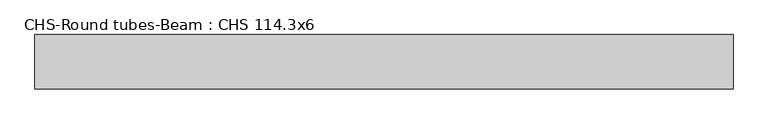
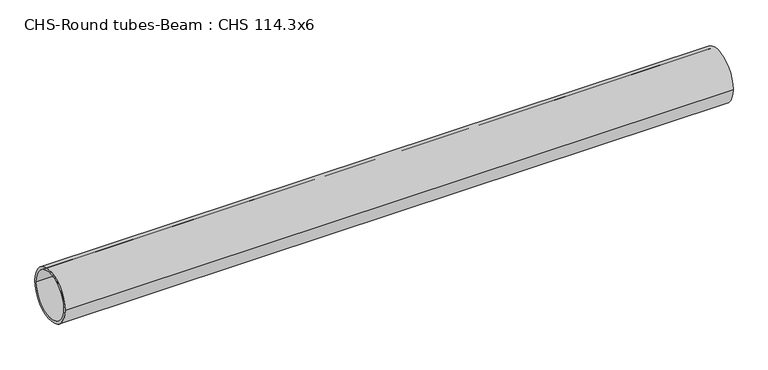
"""IFC4 building model written with IfcOpenShell, lengths in millimetres: beam geometry, CHS-Round tubes-Beam : CHS 114.3x6."""

import ifcopenshell
import ifcopenshell.guid

model = None  # the IFC model being written
_history = None  # IfcOwnerHistory: only IFC2X3 demands one
_inside = {}  # id of a spatial element -> (the spatial element, [elements in it])
_under = {}  # id of a project, library or spatial element -> (it, [spatial elements below it])
_declared = {}  # id of a project -> (the project, [libraries it declares])
_typed = {}  # id of a type object -> (the type object, [elements of that type])
_made_of = {}  # id of a material, layer set ... -> (it, [elements and type objects made of it])


def new_model(schema):
    """Start an empty IFC model of exactly this schema.

    Asked for "IFC4X3", IfcOpenShell would pick the latest addendum, in which some entities
    have other attributes; the version numbers below select the first issue.
    IFC2X3 requires an IfcOwnerHistory on every rooted entity: one is made here for all.
    """
    global model, _history
    if schema == "IFC4X3":
        model = ifcopenshell.file(schema_version=(4, 3, 0, 0))
    else:
        model = ifcopenshell.file(schema=schema)
    _inside.clear()
    _under.clear()
    _declared.clear()
    _typed.clear()
    _made_of.clear()
    _history = None
    if model.schema == "IFC2X3":
        org = make("IfcOrganization", Name="unknown")
        user = make(
            "IfcPersonAndOrganization",
            ThePerson=make("IfcPerson", FamilyName="unknown"),
            TheOrganization=org,
        )
        app = make(
            "IfcApplication",
            ApplicationDeveloper=org,
            Version="unknown",
            ApplicationFullName="unknown",
            ApplicationIdentifier="unknown",
        )
        _history = make(
            "IfcOwnerHistory",
            OwningUser=user,
            OwningApplication=app,
            ChangeAction="ADDED",
            CreationDate=0,
        )
    return model


def make(cls, **values):
    """One entity of the class cls with the attributes given. An attribute that is None is left unset."""
    return model.create_entity(
        cls, **{name: value for name, value in values.items() if value is not None}
    )


def rooted(cls, **values):
    """An entity with a GlobalId (a new one), such as an element, a storey or a relation."""
    return make(cls, GlobalId=ifcopenshell.guid.new(), OwnerHistory=_history, **values)


def si_unit(unit_type, name, prefix=None):
    """IfcSIUnit, for example si_unit("LENGTHUNIT", "METRE", prefix="MILLI")."""
    return make("IfcSIUnit", UnitType=unit_type, Prefix=prefix, Name=name)


def assignment(units):
    """IfcUnitAssignment: the units of a project."""
    return None if units is None else make("IfcUnitAssignment", Units=units)


def point(xyz):
    """IfcCartesianPoint."""
    return None if xyz is None else make("IfcCartesianPoint", Coordinates=xyz)


def direction(xyz):
    """IfcDirection."""
    return None if xyz is None else make("IfcDirection", DirectionRatios=xyz)


def frame(location, z_axis=None, x_axis=None):
    """IfcAxis2Placement3D, a coordinate frame: its origin and axes. An axis left out is left unset."""
    return make(
        "IfcAxis2Placement3D",
        Location=point(location),
        Axis=direction(z_axis),
        RefDirection=direction(x_axis),
    )


def frame_2d(location, x_axis=None):
    """IfcAxis2Placement2D, a coordinate frame in the plane: its origin and x axis."""
    return make(
        "IfcAxis2Placement2D", Location=point(location), RefDirection=direction(x_axis)
    )


def origin():
    """The frame at (0, 0, 0) with its axes left unset."""
    return frame((0.0, 0.0, 0.0))


def origin_2d():
    """The frame at (0, 0) in the plane with its x axis left unset."""
    return frame_2d((0.0, 0.0))


def place(relative_to, where):
    """IfcLocalPlacement: puts the frame where relative to a parent placement (None: the world)."""
    return make(
        "IfcLocalPlacement", PlacementRelTo=relative_to, RelativePlacement=where
    )


def context(
    kind, dimensions, precision=None, world=None, true_north=None, identifier=None
):
    """IfcGeometricRepresentationContext, for example the 3D "Model" context."""
    return make(
        "IfcGeometricRepresentationContext",
        ContextIdentifier=identifier,
        ContextType=kind,
        CoordinateSpaceDimension=dimensions,
        Precision=precision,
        WorldCoordinateSystem=world,
        TrueNorth=true_north,
    )


def project(units=None, contexts=None):
    """IfcProject with its units and contexts."""
    return rooted(
        "IfcProject",
        Name="project",
        RepresentationContexts=contexts,
        UnitsInContext=assignment(units),
    )


def spatial(cls, under=None, at=None, **own):
    """A site, building, storey or space (cls), placed at a placement, below another one or the project."""
    s = rooted(cls, ObjectPlacement=at, **own)
    if under is not None:
        _under.setdefault(under.id(), (under, []))[1].append(s)
    return s


def circle_curve(where, radius):
    """IfcCircle in the frame where."""
    return make("IfcCircle", Position=where, Radius=radius)


def trimmed(basis, trim1, trim2, sense, master):
    """IfcTrimmedCurve: the piece of a basis curve between two trims."""
    return make(
        "IfcTrimmedCurve",
        BasisCurve=basis,
        Trim1=trim1,
        Trim2=trim2,
        SenseAgreement=sense,
        MasterRepresentation=master,
    )


def segment(curve, same_sense, transition):
    """IfcCompositeCurveSegment."""
    return make(
        "IfcCompositeCurveSegment",
        Transition=transition,
        SameSense=same_sense,
        ParentCurve=curve,
    )


def composite_curve(segments, self_intersect=None):
    """IfcCompositeCurve: segments joined end to end."""
    return make("IfcCompositeCurve", Segments=segments, SelfIntersect=self_intersect)


def outline(outer, holes=None, kind="AREA"):
    """IfcArbitraryClosedProfileDef: a profile drawn as a closed curve; with holes, ...WithVoids."""
    if holes is None:
        return make("IfcArbitraryClosedProfileDef", ProfileType=kind, OuterCurve=outer)
    return make(
        "IfcArbitraryProfileDefWithVoids",
        ProfileType=kind,
        OuterCurve=outer,
        InnerCurves=holes,
    )


def extrude(swept, where, along, depth):
    """IfcExtrudedAreaSolid: the profile swept, set in the frame where, extruded along a direction by depth."""
    return make(
        "IfcExtrudedAreaSolid",
        SweptArea=swept,
        Position=where,
        ExtrudedDirection=direction(along),
        Depth=depth,
    )


def shape(context_of_items, identifier, shape_type, items):
    """IfcShapeRepresentation: the items that make up one representation, for example the "Body"."""
    return make(
        "IfcShapeRepresentation",
        ContextOfItems=context_of_items,
        RepresentationIdentifier=identifier,
        RepresentationType=shape_type,
        Items=items,
    )


def source(mapping_origin, context_of_items, identifier, shape_type, items):
    """IfcRepresentationMap: a shape defined once, which mapped items show again and again."""
    return make(
        "IfcRepresentationMap",
        MappingOrigin=mapping_origin,
        MappedRepresentation=shape(context_of_items, identifier, shape_type, items),
    )


def transform(
    local_origin,
    x_axis=None,
    y_axis=None,
    z_axis=None,
    scale=None,
    scale2=None,
    scale3=None,
    uniform=True,
):
    """IfcCartesianTransformationOperator3D, or its non-uniform kind. x_axis, y_axis, z_axis: its Axis1, 2, 3."""
    if uniform:
        return make(
            "IfcCartesianTransformationOperator3D",
            Axis1=direction(x_axis),
            Axis2=direction(y_axis),
            LocalOrigin=point(local_origin),
            Scale=scale,
            Axis3=direction(z_axis),
        )
    return make(
        "IfcCartesianTransformationOperator3DnonUniform",
        Axis1=direction(x_axis),
        Axis2=direction(y_axis),
        LocalOrigin=point(local_origin),
        Scale=scale,
        Axis3=direction(z_axis),
        Scale2=scale2,
        Scale3=scale3,
    )


def mapped(mapping_source, mapping_target):
    """IfcMappedItem: shows the shape of a source again, moved by a transform."""
    return make(
        "IfcMappedItem", MappingSource=mapping_source, MappingTarget=mapping_target
    )


def made_of(thing, what):
    """Note that an element or type object is made of a material, layer set ...; save() writes the relation."""
    if what is not None:
        _made_of.setdefault(what.id(), (what, []))[1].append(thing)
    return thing


def element(
    cls,
    number,
    at=None,
    inside=None,
    cuts=None,
    type_object=None,
    material=None,
    context=None,
    identifier="Body",
    shape_type=None,
    held_by="IfcProductDefinitionShape",
    body=None,
    shapes=None,
    **own,
):
    """One element of the class cls, such as IfcWall. Its Tag is "e" and its number.

    at: its placement. inside: the storey or other place that contains it. cuts: it is an
    opening in that element (IfcRelVoidsElement). A single representation is given by context,
    identifier, shape_type and body (its items); several are given by shapes. held_by: the class
    of the entity that holds the representations. save() writes the other relations.
    """
    e = rooted(cls, Tag="e%d" % number, ObjectPlacement=at, **own)
    if body is not None:
        shapes = [shape(context, identifier, shape_type, body)]
    if shapes is not None:
        e.Representation = make(held_by, Representations=shapes)
    if inside is not None:
        _inside.setdefault(inside.id(), (inside, []))[1].append(e)
    if cuts is not None:
        rooted(
            "IfcRelVoidsElement", RelatingBuildingElement=cuts, RelatedOpeningElement=e
        )
    if type_object is not None:
        _typed.setdefault(type_object.id(), (type_object, []))[1].append(e)
    return made_of(e, material)


def aggregate(whole, parts):
    """IfcRelAggregates: a whole, such as a stair, and the parts it consists of."""
    return rooted("IfcRelAggregates", RelatingObject=whole, RelatedObjects=parts)


def save(model, path):
    """Write the relations noted so far, then the file.

    IfcRelAggregates (storeys below a building ...), IfcRelContainedInSpatialStructure (elements
    in a storey), IfcRelDefinesByType, IfcRelAssociatesMaterial and IfcRelDeclares: one each for
    every whole, place, type object, material and project.
    """
    for whole, parts in _under.values():
        aggregate(whole, parts)
    for where, things in _inside.values():
        rooted(
            "IfcRelContainedInSpatialStructure",
            RelatedElements=things,
            RelatingStructure=where,
        )
    for kind, things in _typed.values():
        rooted("IfcRelDefinesByType", RelatedObjects=things, RelatingType=kind)
    for what, things in _made_of.values():
        rooted("IfcRelAssociatesMaterial", RelatedObjects=things, RelatingMaterial=what)
    for by, libraries in _declared.values():
        rooted("IfcRelDeclares", RelatingContext=by, RelatedDefinitions=libraries)
    model.write(path)


def chs_round_tubes_beam_chs_114_3x6_f9266356(model_context):
    return source(origin(), model_context, "Body", "SweptSolid", [
        extrude(outline(composite_curve([segment(trimmed(circle_curve(origin_2d(), 57.15), [point((57.15, 0.0))], [point((-57.15, 0.0))], False, "CARTESIAN"), True, "CONTINUOUS"), segment(trimmed(circle_curve(origin_2d(), 57.15), [point((-57.15, 0.0))], [point((57.15, 0.0))], False, "CARTESIAN"), True, "CONTINUOUS")], self_intersect=False), holes=[composite_curve([segment(trimmed(circle_curve(origin_2d(), 51.15), [point((51.15, 0.0))], [point((-51.15, 0.0))], True, "CARTESIAN"), True, "CONTINUOUS"), segment(trimmed(circle_curve(origin_2d(), 51.15), [point((-51.15, 0.0))], [point((51.15, 0.0))], True, "CARTESIAN"), True, "CONTINUOUS")], self_intersect=False)]), frame((-735.3735267, 0.0, 0.0), z_axis=(1.0, 0.0, 0.0), x_axis=(0.0, 1.0, 0.0)), (0.0, 0.0, 1.0), 1463.2871349),
    ])


if __name__ == "__main__":
    model = new_model("IFC4")
    model_context = context("Model", 3, world=origin())
    ifc_project = project(units=[si_unit("LENGTHUNIT", "METRE", prefix="MILLI")], contexts=[model_context])
    site = spatial("IfcSite", under=ifc_project)
    building = spatial("IfcBuilding", under=site)
    placement = place(None, origin())
    chs_round_tubes_beam_chs_114_3x6_shape = chs_round_tubes_beam_chs_114_3x6_f9266356(model_context)
    element("IfcBeam", 1, ObjectType="CHS-Round tubes-Beam : CHS 114.3x6", at=placement, inside=building, context=model_context, shape_type="MappedRepresentation", body=[
        mapped(chs_round_tubes_beam_chs_114_3x6_shape, transform((0.0, 0.0, 0.0), x_axis=(1.0, 0.0, 0.0), y_axis=(0.0, 1.0, 0.0), z_axis=(0.0, 0.0, 1.0))),
    ])
    save(model, "model.ifc")
